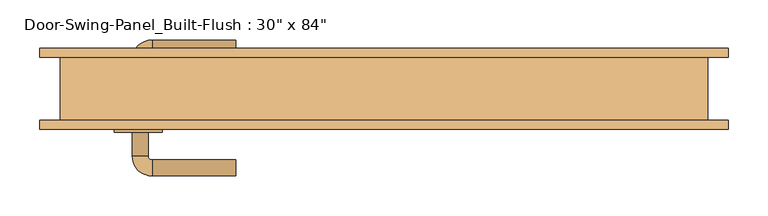
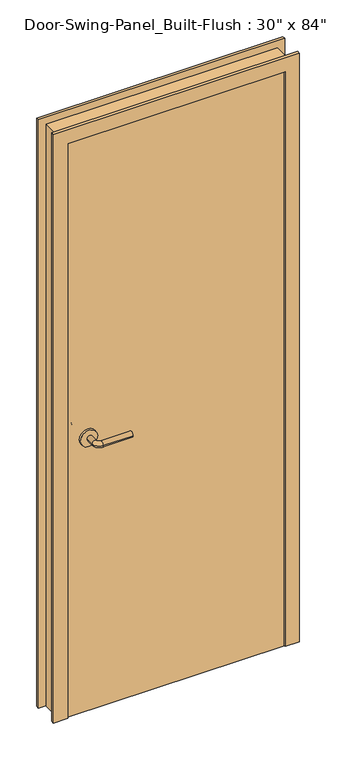
"""IFC4 building model written with IfcOpenShell, lengths in millimetres: door geometry."""

import ifcopenshell
import ifcopenshell.guid

model = None  # the IFC model being written
_history = None  # IfcOwnerHistory: only IFC2X3 demands one
_inside = {}  # id of a spatial element -> (the spatial element, [elements in it])
_under = {}  # id of a project, library or spatial element -> (it, [spatial elements below it])
_declared = {}  # id of a project -> (the project, [libraries it declares])
_typed = {}  # id of a type object -> (the type object, [elements of that type])
_made_of = {}  # id of a material, layer set ... -> (it, [elements and type objects made of it])


def new_model(schema):
    """Start an empty IFC model of exactly this schema.

    Asked for "IFC4X3", IfcOpenShell would pick the latest addendum, in which some entities
    have other attributes; the version numbers below select the first issue.
    IFC2X3 requires an IfcOwnerHistory on every rooted entity: one is made here for all.
    """
    global model, _history
    if schema == "IFC4X3":
        model = ifcopenshell.file(schema_version=(4, 3, 0, 0))
    else:
        model = ifcopenshell.file(schema=schema)
    _inside.clear()
    _under.clear()
    _declared.clear()
    _typed.clear()
    _made_of.clear()
    _history = None
    if model.schema == "IFC2X3":
        org = make("IfcOrganization", Name="unknown")
        user = make(
            "IfcPersonAndOrganization",
            ThePerson=make("IfcPerson", FamilyName="unknown"),
            TheOrganization=org,
        )
        app = make(
            "IfcApplication",
            ApplicationDeveloper=org,
            Version="unknown",
            ApplicationFullName="unknown",
            ApplicationIdentifier="unknown",
        )
        _history = make(
            "IfcOwnerHistory",
            OwningUser=user,
            OwningApplication=app,
            ChangeAction="ADDED",
            CreationDate=0,
        )
    return model


def make(cls, **values):
    """One entity of the class cls with the attributes given. An attribute that is None is left unset."""
    return model.create_entity(
        cls, **{name: value for name, value in values.items() if value is not None}
    )


def rooted(cls, **values):
    """An entity with a GlobalId (a new one), such as an element, a storey or a relation."""
    return make(cls, GlobalId=ifcopenshell.guid.new(), OwnerHistory=_history, **values)


def si_unit(unit_type, name, prefix=None):
    """IfcSIUnit, for example si_unit("LENGTHUNIT", "METRE", prefix="MILLI")."""
    return make("IfcSIUnit", UnitType=unit_type, Prefix=prefix, Name=name)


def assignment(units):
    """IfcUnitAssignment: the units of a project."""
    return None if units is None else make("IfcUnitAssignment", Units=units)


def point(xyz):
    """IfcCartesianPoint."""
    return None if xyz is None else make("IfcCartesianPoint", Coordinates=xyz)


def direction(xyz):
    """IfcDirection."""
    return None if xyz is None else make("IfcDirection", DirectionRatios=xyz)


def frame(location, z_axis=None, x_axis=None):
    """IfcAxis2Placement3D, a coordinate frame: its origin and axes. An axis left out is left unset."""
    return make(
        "IfcAxis2Placement3D",
        Location=point(location),
        Axis=direction(z_axis),
        RefDirection=direction(x_axis),
    )


def frame_2d(location, x_axis=None):
    """IfcAxis2Placement2D, a coordinate frame in the plane: its origin and x axis."""
    return make(
        "IfcAxis2Placement2D", Location=point(location), RefDirection=direction(x_axis)
    )


def origin():
    """The frame at (0, 0, 0) with its axes left unset."""
    return frame((0.0, 0.0, 0.0))


def origin_with_axes():
    """The frame at (0, 0, 0) with the z axis (0, 0, 1) and the x axis (1, 0, 0) written out."""
    return frame((0.0, 0.0, 0.0), z_axis=(0.0, 0.0, 1.0), x_axis=(1.0, 0.0, 0.0))


def place(relative_to, where):
    """IfcLocalPlacement: puts the frame where relative to a parent placement (None: the world)."""
    return make(
        "IfcLocalPlacement", PlacementRelTo=relative_to, RelativePlacement=where
    )


def context(
    kind, dimensions, precision=None, world=None, true_north=None, identifier=None
):
    """IfcGeometricRepresentationContext, for example the 3D "Model" context."""
    return make(
        "IfcGeometricRepresentationContext",
        ContextIdentifier=identifier,
        ContextType=kind,
        CoordinateSpaceDimension=dimensions,
        Precision=precision,
        WorldCoordinateSystem=world,
        TrueNorth=true_north,
    )


def project(units=None, contexts=None):
    """IfcProject with its units and contexts."""
    return rooted(
        "IfcProject",
        Name="project",
        RepresentationContexts=contexts,
        UnitsInContext=assignment(units),
    )


def spatial(cls, under=None, at=None, **own):
    """A site, building, storey or space (cls), placed at a placement, below another one or the project."""
    s = rooted(cls, ObjectPlacement=at, **own)
    if under is not None:
        _under.setdefault(under.id(), (under, []))[1].append(s)
    return s


def polyline(points):
    """IfcPolyline through the points."""
    return make("IfcPolyline", Points=[point(p) for p in points])


def circle_curve(where, radius):
    """IfcCircle in the frame where."""
    return make("IfcCircle", Position=where, Radius=radius)


def ellipse_curve(where, semi_axis1, semi_axis2):
    """IfcEllipse in the frame where."""
    return make(
        "IfcEllipse", Position=where, SemiAxis1=semi_axis1, SemiAxis2=semi_axis2
    )


def trimmed(basis, trim1, trim2, sense, master):
    """IfcTrimmedCurve: the piece of a basis curve between two trims."""
    return make(
        "IfcTrimmedCurve",
        BasisCurve=basis,
        Trim1=trim1,
        Trim2=trim2,
        SenseAgreement=sense,
        MasterRepresentation=master,
    )


def segment(curve, same_sense, transition):
    """IfcCompositeCurveSegment."""
    return make(
        "IfcCompositeCurveSegment",
        Transition=transition,
        SameSense=same_sense,
        ParentCurve=curve,
    )


def composite_curve(segments, self_intersect=None):
    """IfcCompositeCurve: segments joined end to end."""
    return make("IfcCompositeCurve", Segments=segments, SelfIntersect=self_intersect)


def outline(outer, holes=None, kind="AREA"):
    """IfcArbitraryClosedProfileDef: a profile drawn as a closed curve; with holes, ...WithVoids."""
    if holes is None:
        return make("IfcArbitraryClosedProfileDef", ProfileType=kind, OuterCurve=outer)
    return make(
        "IfcArbitraryProfileDefWithVoids",
        ProfileType=kind,
        OuterCurve=outer,
        InnerCurves=holes,
    )


def extrude(swept, where, along, depth):
    """IfcExtrudedAreaSolid: the profile swept, set in the frame where, extruded along a direction by depth."""
    return make(
        "IfcExtrudedAreaSolid",
        SweptArea=swept,
        Position=where,
        ExtrudedDirection=direction(along),
        Depth=depth,
    )


def faces_of(points, faces, orient=None, outer=None):
    """IfcFace entities. A face is a list of loops; a loop is a list of indices into points, from 0.

    orient and outer hold one flag for each loop. By default every Orientation is true, the
    first loop of a face is its IfcFaceOuterBound and the others are IfcFaceBound.
    """
    made = []
    for i, loops in enumerate(faces):
        bounds = []
        for j, loop in enumerate(loops):
            is_outer = j == 0 if outer is None else outer[i][j]
            bounds.append(
                make(
                    "IfcFaceOuterBound" if is_outer else "IfcFaceBound",
                    Bound=make("IfcPolyLoop", Polygon=[points[k] for k in loop]),
                    Orientation=True if orient is None else orient[i][j],
                )
            )
        made.append(make("IfcFace", Bounds=bounds))
    return made


def faceted_brep(points, faces, orient=None, outer=None, voids=None):
    """IfcFacetedBrep: a solid bounded by flat faces; with voids (closed shells), ...WithVoids."""
    shared = [point(p) for p in points]
    hull = make("IfcClosedShell", CfsFaces=faces_of(shared, faces, orient, outer))
    if voids is None:
        return make("IfcFacetedBrep", Outer=hull)
    return make(
        "IfcFacetedBrepWithVoids",
        Outer=hull,
        Voids=[
            make(cls, CfsFaces=faces_of(shared, fs, o, b)) for cls, fs, o, b in voids
        ],
    )


def shape(context_of_items, identifier, shape_type, items):
    """IfcShapeRepresentation: the items that make up one representation, for example the "Body"."""
    return make(
        "IfcShapeRepresentation",
        ContextOfItems=context_of_items,
        RepresentationIdentifier=identifier,
        RepresentationType=shape_type,
        Items=items,
    )


def source(mapping_origin, context_of_items, identifier, shape_type, items):
    """IfcRepresentationMap: a shape defined once, which mapped items show again and again."""
    return make(
        "IfcRepresentationMap",
        MappingOrigin=mapping_origin,
        MappedRepresentation=shape(context_of_items, identifier, shape_type, items),
    )


def transform(
    local_origin,
    x_axis=None,
    y_axis=None,
    z_axis=None,
    scale=None,
    scale2=None,
    scale3=None,
    uniform=True,
):
    """IfcCartesianTransformationOperator3D, or its non-uniform kind. x_axis, y_axis, z_axis: its Axis1, 2, 3."""
    if uniform:
        return make(
            "IfcCartesianTransformationOperator3D",
            Axis1=direction(x_axis),
            Axis2=direction(y_axis),
            LocalOrigin=point(local_origin),
            Scale=scale,
            Axis3=direction(z_axis),
        )
    return make(
        "IfcCartesianTransformationOperator3DnonUniform",
        Axis1=direction(x_axis),
        Axis2=direction(y_axis),
        LocalOrigin=point(local_origin),
        Scale=scale,
        Axis3=direction(z_axis),
        Scale2=scale2,
        Scale3=scale3,
    )


def mapped(mapping_source, mapping_target):
    """IfcMappedItem: shows the shape of a source again, moved by a transform."""
    return make(
        "IfcMappedItem", MappingSource=mapping_source, MappingTarget=mapping_target
    )


def made_of(thing, what):
    """Note that an element or type object is made of a material, layer set ...; save() writes the relation."""
    if what is not None:
        _made_of.setdefault(what.id(), (what, []))[1].append(thing)
    return thing


def element(
    cls,
    number,
    at=None,
    inside=None,
    cuts=None,
    type_object=None,
    material=None,
    context=None,
    identifier="Body",
    shape_type=None,
    held_by="IfcProductDefinitionShape",
    body=None,
    shapes=None,
    **own,
):
    """One element of the class cls, such as IfcWall. Its Tag is "e" and its number.

    at: its placement. inside: the storey or other place that contains it. cuts: it is an
    opening in that element (IfcRelVoidsElement). A single representation is given by context,
    identifier, shape_type and body (its items); several are given by shapes. held_by: the class
    of the entity that holds the representations. save() writes the other relations.
    """
    e = rooted(cls, Tag="e%d" % number, ObjectPlacement=at, **own)
    if body is not None:
        shapes = [shape(context, identifier, shape_type, body)]
    if shapes is not None:
        e.Representation = make(held_by, Representations=shapes)
    if inside is not None:
        _inside.setdefault(inside.id(), (inside, []))[1].append(e)
    if cuts is not None:
        rooted(
            "IfcRelVoidsElement", RelatingBuildingElement=cuts, RelatedOpeningElement=e
        )
    if type_object is not None:
        _typed.setdefault(type_object.id(), (type_object, []))[1].append(e)
    return made_of(e, material)


def aggregate(whole, parts):
    """IfcRelAggregates: a whole, such as a stair, and the parts it consists of."""
    return rooted("IfcRelAggregates", RelatingObject=whole, RelatedObjects=parts)


def save(model, path):
    """Write the relations noted so far, then the file.

    IfcRelAggregates (storeys below a building ...), IfcRelContainedInSpatialStructure (elements
    in a storey), IfcRelDefinesByType, IfcRelAssociatesMaterial and IfcRelDeclares: one each for
    every whole, place, type object, material and project.
    """
    for whole, parts in _under.values():
        aggregate(whole, parts)
    for where, things in _inside.values():
        rooted(
            "IfcRelContainedInSpatialStructure",
            RelatedElements=things,
            RelatingStructure=where,
        )
    for kind, things in _typed.values():
        rooted("IfcRelDefinesByType", RelatedObjects=things, RelatingType=kind)
    for what, things in _made_of.values():
        rooted("IfcRelAssociatesMaterial", RelatedObjects=things, RelatingMaterial=what)
    for by, libraries in _declared.values():
        rooted("IfcRelDeclares", RelatingContext=by, RelatedDefinitions=libraries)
    model.write(path)


def plane_surface(at):
    """IfcPlane: the flat surface through the origin of the frame at, square to its z axis."""
    return make("IfcPlane", Position=at)


def cylinder_surface(at, radius):
    """IfcCylindricalSurface: all points at the distance radius from the z axis of the frame at."""
    return make("IfcCylindricalSurface", Position=at, Radius=radius)


def revolved_surface(curve, axis_point, axis_direction):
    """IfcSurfaceOfRevolution: the curve turned about the line through axis_point along axis_direction."""
    return make(
        "IfcSurfaceOfRevolution",
        SweptCurve=make("IfcArbitraryOpenProfileDef", ProfileType="CURVE", Curve=curve),
        AxisPosition=make("IfcAxis1Placement", Location=point(axis_point), Axis=direction(axis_direction)),
    )


def advanced_brep(points, edges, surfaces, faces):
    """IfcAdvancedBrep: a solid bounded by faces that lie on surfaces and meet in shared edges.

    An edge is (start, end): straight between two places in points (the first is 0);
    or (start, end, curve); or (start, end, curve, False) where it runs against its curve.
    A face is (place in surfaces, loops), or (place, loops, False) where it looks against
    its surface's normal. A loop lists edges by number (the first is 1), with a minus sign
    where the edge is run from its end to its start. The first loop is the outer one.
    """
    corners = [point(p) for p in points]
    vertices = [make("IfcVertexPoint", VertexGeometry=c) for c in corners]
    made = []
    for start, end, *more in edges:
        made.append(
            make(
                "IfcEdgeCurve",
                EdgeStart=vertices[start],
                EdgeEnd=vertices[end],
                EdgeGeometry=more[0] if more else make("IfcPolyline", Points=[corners[start], corners[end]]),
                SameSense=more[1] if len(more) > 1 else True,
            )
        )
    hull = []
    for where, loops, *sense in faces:
        bounds = []
        for j, loop in enumerate(loops):
            ring = [make("IfcOrientedEdge", EdgeElement=made[abs(k) - 1], Orientation=k > 0) for k in loop]
            bounds.append(
                make(
                    "IfcFaceOuterBound" if j == 0 else "IfcFaceBound",
                    Bound=make("IfcEdgeLoop", EdgeList=ring),
                    Orientation=True,
                )
            )
        hull.append(make("IfcAdvancedFace", Bounds=bounds, FaceSurface=surfaces[where], SameSense=sense[0] if sense else True))
    return make("IfcAdvancedBrep", Outer=make("IfcClosedShell", CfsFaces=hull))


def door_676fcfd2(model_context):
    return source(origin(), model_context, "Body", "SolidModel", [
        advanced_brep(
        [(-315.990625, 0.0623368, 1016.0), (-295.990625, 0.0623368, 1016.0), (-315.990625, 30.0623368, 1016.0), (-295.990625, 30.0623368, 1016.0), (-290.990625, 35.0623368, 1016.0), (-290.990625, 55.0623368, 1016.0), (-185.990625, 55.0623368, 1016.0), (-185.990625, 35.0623368, 1016.0)],
        [
            (0, 1, circle_curve(frame((-305.990625, 0.0623368, 1016.0), z_axis=(0.0, -1.0, 0.0), x_axis=(1.0, 0.0, 0.0)), 10.0)),
            (1, 0, circle_curve(frame((-305.990625, 0.0623368, 1016.0), z_axis=(0.0, -1.0, 0.0), x_axis=(1.0, 0.0, 0.0)), 10.0)),
            (0, 2),
            (2, 3, circle_curve(frame((-305.990625, 30.0623368, 1016.0), z_axis=(0.0, -1.0, 0.0), x_axis=(1.0, 0.0, 0.0)), 10.0)),
            (3, 1),
            (3, 2, circle_curve(frame((-305.990625, 30.0623368, 1016.0), z_axis=(0.0, -1.0, 0.0), x_axis=(1.0, 0.0, 0.0)), 10.0)),
            (4, 3, circle_curve(frame((-290.990625, 30.0623368, 1016.0), z_axis=(0.0, 0.0, 1.0), x_axis=(-1.0, 0.0, 0.0)), 5.0)),
            (2, 5, circle_curve(frame((-290.990625, 30.0623368, 1016.0), z_axis=(0.0, 0.0, -1.0), x_axis=(-1.0, 0.0, 0.0)), 25.0)),
            (5, 4, circle_curve(frame((-290.990625, 45.0623368, 1016.0), z_axis=(-1.0, 0.0, 0.0), x_axis=(0.0, -1.0, 0.0)), 10.0)),
            (4, 5, circle_curve(frame((-290.990625, 45.0623368, 1016.0), z_axis=(-1.0, 0.0, 0.0), x_axis=(0.0, -1.0, 0.0)), 10.0)),
            (6, 7, circle_curve(frame((-185.990625, 45.0623368, 1016.0), z_axis=(1.0, 0.0, 0.0), x_axis=(0.0, -1.0, 0.0)), 10.0)),
            (7, 6, circle_curve(frame((-185.990625, 45.0623368, 1016.0), z_axis=(1.0, 0.0, 0.0), x_axis=(0.0, -1.0, 0.0)), 10.0)),
            (5, 6),
            (7, 4),
        ],
        [
            plane_surface(frame((-305.990625, 0.0623368, 1016.0), z_axis=(0.0, -1.0, 0.0), x_axis=(0.0, 0.0, 1.0))),
            cylinder_surface(frame((-305.990625, 0.0623368, 1016.0), z_axis=(0.0, -1.0, 0.0), x_axis=(1.0, 0.0, 0.0)), 10.0),
            revolved_surface(trimmed(ellipse_curve(frame((-305.990625, 30.0623368, 1016.0), z_axis=(0.0, -1.0, 0.0), x_axis=(1.0, 0.0, 0.0)), 10.0, 10.0), [point((-315.990625, 30.0623368, 1016.0))], [point((-295.990625, 30.0623368, 1016.0))], True, "CARTESIAN"), (-290.990625, 30.0623368, 1016.0), (0.0, 0.0, -1.0)),
            revolved_surface(trimmed(ellipse_curve(frame((-305.990625, 30.0623368, 1016.0), z_axis=(0.0, -1.0, 0.0), x_axis=(1.0, 0.0, 0.0)), 10.0, 10.0), [point((-295.990625, 30.0623368, 1016.0))], [point((-315.990625, 30.0623368, 1016.0))], True, "CARTESIAN"), (-290.990625, 30.0623368, 1016.0), (0.0, 0.0, -1.0)),
            plane_surface(frame((-185.990625, 45.0623368, 1016.0), z_axis=(1.0, 0.0, 0.0), x_axis=(0.0, 0.0, 1.0))),
            cylinder_surface(frame((-290.990625, 45.0623368, 1016.0), z_axis=(-1.0, 0.0, 0.0), x_axis=(0.0, -1.0, 0.0)), 10.0),
        ],
        [
            (0, [[1, 2]]),
            (1, [[-1, 3, 4, 5]]),
            (1, [[-2, -5, 6, -3]]),
            (2, [[7, -4, 8, 9]]),
            (3, [[-8, -6, -7, 10]]),
            (4, [[11, 12]]),
            (5, [[-9, 13, -12, 14]]),
            (5, [[-10, -14, -11, -13]]),
        ],
    ),
        extrude(outline(composite_curve([segment(trimmed(circle_curve(frame_2d((1016.0, -308.490625)), 30.0), [point((1016.0, -338.490625))], [point((1016.0, -278.490625))], False, "CARTESIAN"), True, "CONTINUOUS"), segment(trimmed(circle_curve(frame_2d((1016.0, -308.490625)), 30.0), [point((1016.0, -278.490625))], [point((1016.0, -338.490625))], False, "CARTESIAN"), True, "CONTINUOUS")], self_intersect=False)), frame((0.0, -7.9376632, 0.0), z_axis=(0.0, 1.0, 0.0), x_axis=(0.0, 0.0, 1.0)), (0.0, 0.0, 1.0), 8.0),
        advanced_brep(
        [(-315.990625, -60.3876632, 1016.0), (-295.990625, -60.3876632, 1016.0), (-295.990625, -90.3876632, 1016.0), (-315.990625, -90.3876632, 1016.0), (-290.990625, -95.3876632, 1016.0), (-290.990625, -115.3876632, 1016.0), (-185.990625, -115.3876632, 1016.0), (-185.990625, -95.3876632, 1016.0)],
        [
            (0, 1, circle_curve(frame((-305.990625, -60.3876632, 1016.0), z_axis=(0.0, 1.0, 0.0), x_axis=(1.0, 0.0, 0.0)), 10.0)),
            (1, 0, circle_curve(frame((-305.990625, -60.3876632, 1016.0), z_axis=(0.0, 1.0, 0.0), x_axis=(1.0, 0.0, 0.0)), 10.0)),
            (1, 2),
            (2, 3, circle_curve(frame((-305.990625, -90.3876632, 1016.0), z_axis=(0.0, 1.0, 0.0), x_axis=(1.0, 0.0, 0.0)), 10.0)),
            (3, 0),
            (3, 2, circle_curve(frame((-305.990625, -90.3876632, 1016.0), z_axis=(0.0, 1.0, 0.0), x_axis=(1.0, 0.0, 0.0)), 10.0)),
            (4, 5, circle_curve(frame((-290.990625, -105.3876632, 1016.0), z_axis=(-1.0, 0.0, 0.0), x_axis=(0.0, 1.0, 0.0)), 10.0)),
            (5, 3, circle_curve(frame((-290.990625, -90.3876632, 1016.0), z_axis=(0.0, 0.0, -1.0), x_axis=(-1.0, 0.0, 0.0)), 25.0)),
            (2, 4, circle_curve(frame((-290.990625, -90.3876632, 1016.0), z_axis=(0.0, 0.0, 1.0), x_axis=(-1.0, 0.0, 0.0)), 5.0)),
            (5, 4, circle_curve(frame((-290.990625, -105.3876632, 1016.0), z_axis=(-1.0, 0.0, 0.0), x_axis=(0.0, 1.0, 0.0)), 10.0)),
            (6, 7, circle_curve(frame((-185.990625, -105.3876632, 1016.0), z_axis=(1.0, 0.0, 0.0), x_axis=(0.0, 1.0, 0.0)), 10.0)),
            (7, 6, circle_curve(frame((-185.990625, -105.3876632, 1016.0), z_axis=(1.0, 0.0, 0.0), x_axis=(0.0, 1.0, 0.0)), 10.0)),
            (4, 7),
            (6, 5),
        ],
        [
            plane_surface(frame((-305.990625, -60.3876632, 1016.0), z_axis=(0.0, 1.0, 0.0), x_axis=(0.0, 0.0, 1.0))),
            cylinder_surface(frame((-305.990625, -60.3876632, 1016.0), z_axis=(0.0, 1.0, 0.0), x_axis=(1.0, 0.0, 0.0)), 10.0),
            revolved_surface(trimmed(ellipse_curve(frame((-305.990625, -90.3876632, 1016.0), z_axis=(0.0, -1.0, 0.0), x_axis=(1.0, 0.0, 0.0)), 10.0, 10.0), [point((-315.990625, -90.3876632, 1016.0))], [point((-295.990625, -90.3876632, 1016.0))], True, "CARTESIAN"), (-290.990625, -90.3876632, 1016.0), (0.0, 0.0, -1.0)),
            revolved_surface(trimmed(ellipse_curve(frame((-305.990625, -90.3876632, 1016.0), z_axis=(0.0, -1.0, 0.0), x_axis=(1.0, 0.0, 0.0)), 10.0, 10.0), [point((-295.990625, -90.3876632, 1016.0))], [point((-315.990625, -90.3876632, 1016.0))], True, "CARTESIAN"), (-290.990625, -90.3876632, 1016.0), (0.0, 0.0, -1.0)),
            plane_surface(frame((-185.990625, -105.3876632, 1016.0), z_axis=(1.0, 0.0, 0.0), x_axis=(0.0, 0.0, 1.0))),
            cylinder_surface(frame((-290.990625, -105.3876632, 1016.0), z_axis=(-1.0, 0.0, 0.0), x_axis=(0.0, 1.0, 0.0)), 10.0),
        ],
        [
            (0, [[1, 2]]),
            (1, [[3, 4, 5, -2]]),
            (1, [[-5, 6, -3, -1]]),
            (2, [[7, 8, -4, 9]]),
            (3, [[10, -9, -6, -8]]),
            (4, [[11, 12]]),
            (5, [[13, -11, 14, -7]]),
            (5, [[-14, -12, -13, -10]]),
        ],
    ),
        extrude(outline(composite_curve([segment(trimmed(circle_curve(frame_2d((1016.0, -308.490625)), 30.0), [point((1016.0, -338.490625))], [point((1016.0, -278.490625))], False, "CARTESIAN"), True, "CONTINUOUS"), segment(trimmed(circle_curve(frame_2d((1016.0, -308.490625)), 30.0), [point((1016.0, -278.490625))], [point((1016.0, -338.490625))], False, "CARTESIAN"), True, "CONTINUOUS")], self_intersect=False)), frame((0.0, -60.3876632, 0.0), z_axis=(0.0, 1.0, 0.0), x_axis=(0.0, 0.0, 1.0)), (0.0, 0.0, 1.0), 8.0),
        faceted_brep([(381.0, -57.1501632, 0.0), (381.0, -7.9376632, 0.0), (361.95, -7.9376632, 0.0), (361.95, 44.4498368, 0.0), (431.8, 44.4498368, 0.0), (431.8, 33.3375, 0.0), (406.4, 33.3375, 0.0), (406.4, -46.0375, 0.0), (431.8, -46.0375, 0.0), (431.8, -57.1501632, 0.0), (431.8, -57.1501632, 2184.4), (-431.8, -57.1501632, 2184.4), (-431.8, -57.1501632, 0.0), (-381.0, -57.1501632, 0.0), (-381.0, -57.1501632, 2133.6), (381.0, -57.1501632, 2133.6), (431.8, -46.0375, 2184.4), (406.4, -46.0375, 2159.0), (-406.4, -46.0375, 2159.0), (-406.4, -46.0375, 0.0), (-431.8, -46.0375, 0.0), (-431.8, -46.0375, 2184.4), (406.4, 33.3375, 2159.0), (431.8, 33.3375, 2184.4), (-431.8, 33.3375, 2184.4), (-431.8, 33.3375, 0.0), (-406.4, 33.3375, 0.0), (-406.4, 33.3375, 2159.0), (431.8, 44.4498368, 2184.4), (361.95, 44.4498368, 2114.55), (-361.95, 44.4498368, 2114.55), (-361.95, 44.4498368, 0.0), (-431.8, 44.4498368, 0.0), (-431.8, 44.4498368, 2184.4), (361.95, -7.9376632, 2114.55), (381.0, -7.9376632, 2133.6), (-381.0, -7.9376632, 2133.6), (-381.0, -7.9376632, 0.0), (-361.95, -7.9376632, 0.0), (-361.95, -7.9376632, 2114.55)], [[[0, 1, 2, 3, 4, 5, 6, 7, 8, 9]], [[9, 10, 11, 12, 13, 14, 15, 0]], [[8, 16, 10, 9]], [[7, 17, 18, 19, 20, 21, 16, 8]], [[6, 22, 17, 7]], [[5, 23, 24, 25, 26, 27, 22, 6]], [[4, 28, 23, 5]], [[3, 29, 30, 31, 32, 33, 28, 4]], [[2, 34, 29, 3]], [[1, 35, 36, 37, 38, 39, 34, 2]], [[0, 15, 35, 1]], [[14, 13, 37, 36]], [[13, 12, 20, 19, 26, 25, 32, 31, 38, 37]], [[21, 20, 12, 11]], [[27, 26, 19, 18]], [[33, 32, 25, 24]], [[39, 38, 31, 30]], [[16, 21, 11, 10]], [[22, 27, 18, 17]], [[28, 33, 24, 23]], [[34, 39, 30, 29]], [[15, 14, 36, 35]]]),
        extrude(outline(polyline([(381.0, -7.9376632), (381.0, -52.3876632), (-381.0, -52.3876632), (-381.0, -7.9376632), (381.0, -7.9376632)])), origin_with_axes(), (0.0, 0.0, 1.0), 2133.6),
    ])


if __name__ == "__main__":
    model = new_model("IFC4")
    model_context = context("Model", 3, world=origin())
    ifc_project = project(units=[si_unit("LENGTHUNIT", "METRE", prefix="MILLI")], contexts=[model_context])
    site = spatial("IfcSite", under=ifc_project)
    building = spatial("IfcBuilding", under=site)
    placement = place(None, origin())
    door_shape = door_676fcfd2(model_context)
    element("IfcDoor", 1, ObjectType="Door-Swing-Panel_Built-Flush : 30\" x 84\"", at=placement, inside=building, context=model_context, shape_type="MappedRepresentation", body=[
        mapped(door_shape, transform((0.0, 0.0, 0.0), x_axis=(1.0, 0.0, 0.0), y_axis=(0.0, 1.0, 0.0), z_axis=(0.0, 0.0, 1.0))),
    ])
    save(model, "model.ifc")
